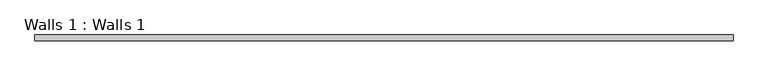
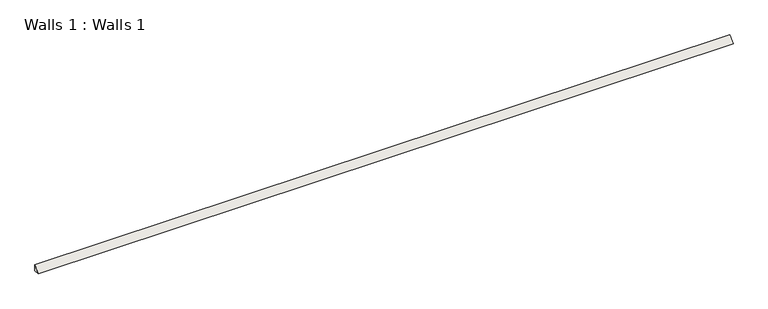
"""IFC4 building model written with IfcOpenShell, lengths in millimetres: wall geometry, Walls 1 : Walls 1."""

import ifcopenshell
import ifcopenshell.guid

model = None  # the IFC model being written
_history = None  # IfcOwnerHistory: only IFC2X3 demands one
_inside = {}  # id of a spatial element -> (the spatial element, [elements in it])
_under = {}  # id of a project, library or spatial element -> (it, [spatial elements below it])
_declared = {}  # id of a project -> (the project, [libraries it declares])
_typed = {}  # id of a type object -> (the type object, [elements of that type])
_made_of = {}  # id of a material, layer set ... -> (it, [elements and type objects made of it])


def new_model(schema):
    """Start an empty IFC model of exactly this schema.

    Asked for "IFC4X3", IfcOpenShell would pick the latest addendum, in which some entities
    have other attributes; the version numbers below select the first issue.
    IFC2X3 requires an IfcOwnerHistory on every rooted entity: one is made here for all.
    """
    global model, _history
    if schema == "IFC4X3":
        model = ifcopenshell.file(schema_version=(4, 3, 0, 0))
    else:
        model = ifcopenshell.file(schema=schema)
    _inside.clear()
    _under.clear()
    _declared.clear()
    _typed.clear()
    _made_of.clear()
    _history = None
    if model.schema == "IFC2X3":
        org = make("IfcOrganization", Name="unknown")
        user = make(
            "IfcPersonAndOrganization",
            ThePerson=make("IfcPerson", FamilyName="unknown"),
            TheOrganization=org,
        )
        app = make(
            "IfcApplication",
            ApplicationDeveloper=org,
            Version="unknown",
            ApplicationFullName="unknown",
            ApplicationIdentifier="unknown",
        )
        _history = make(
            "IfcOwnerHistory",
            OwningUser=user,
            OwningApplication=app,
            ChangeAction="ADDED",
            CreationDate=0,
        )
    return model


def make(cls, **values):
    """One entity of the class cls with the attributes given. An attribute that is None is left unset."""
    return model.create_entity(
        cls, **{name: value for name, value in values.items() if value is not None}
    )


def rooted(cls, **values):
    """An entity with a GlobalId (a new one), such as an element, a storey or a relation."""
    return make(cls, GlobalId=ifcopenshell.guid.new(), OwnerHistory=_history, **values)


def si_unit(unit_type, name, prefix=None):
    """IfcSIUnit, for example si_unit("LENGTHUNIT", "METRE", prefix="MILLI")."""
    return make("IfcSIUnit", UnitType=unit_type, Prefix=prefix, Name=name)


def assignment(units):
    """IfcUnitAssignment: the units of a project."""
    return None if units is None else make("IfcUnitAssignment", Units=units)


def point(xyz):
    """IfcCartesianPoint."""
    return None if xyz is None else make("IfcCartesianPoint", Coordinates=xyz)


def direction(xyz):
    """IfcDirection."""
    return None if xyz is None else make("IfcDirection", DirectionRatios=xyz)


def frame(location, z_axis=None, x_axis=None):
    """IfcAxis2Placement3D, a coordinate frame: its origin and axes. An axis left out is left unset."""
    return make(
        "IfcAxis2Placement3D",
        Location=point(location),
        Axis=direction(z_axis),
        RefDirection=direction(x_axis),
    )


def origin():
    """The frame at (0, 0, 0) with its axes left unset."""
    return frame((0.0, 0.0, 0.0))


def place(relative_to, where):
    """IfcLocalPlacement: puts the frame where relative to a parent placement (None: the world)."""
    return make(
        "IfcLocalPlacement", PlacementRelTo=relative_to, RelativePlacement=where
    )


def context(
    kind, dimensions, precision=None, world=None, true_north=None, identifier=None
):
    """IfcGeometricRepresentationContext, for example the 3D "Model" context."""
    return make(
        "IfcGeometricRepresentationContext",
        ContextIdentifier=identifier,
        ContextType=kind,
        CoordinateSpaceDimension=dimensions,
        Precision=precision,
        WorldCoordinateSystem=world,
        TrueNorth=true_north,
    )


def project(units=None, contexts=None):
    """IfcProject with its units and contexts."""
    return rooted(
        "IfcProject",
        Name="project",
        RepresentationContexts=contexts,
        UnitsInContext=assignment(units),
    )


def spatial(cls, under=None, at=None, **own):
    """A site, building, storey or space (cls), placed at a placement, below another one or the project."""
    s = rooted(cls, ObjectPlacement=at, **own)
    if under is not None:
        _under.setdefault(under.id(), (under, []))[1].append(s)
    return s


def polyline(points):
    """IfcPolyline through the points."""
    return make("IfcPolyline", Points=[point(p) for p in points])


def outline(outer, holes=None, kind="AREA"):
    """IfcArbitraryClosedProfileDef: a profile drawn as a closed curve; with holes, ...WithVoids."""
    if holes is None:
        return make("IfcArbitraryClosedProfileDef", ProfileType=kind, OuterCurve=outer)
    return make(
        "IfcArbitraryProfileDefWithVoids",
        ProfileType=kind,
        OuterCurve=outer,
        InnerCurves=holes,
    )


def extrude(swept, where, along, depth):
    """IfcExtrudedAreaSolid: the profile swept, set in the frame where, extruded along a direction by depth."""
    return make(
        "IfcExtrudedAreaSolid",
        SweptArea=swept,
        Position=where,
        ExtrudedDirection=direction(along),
        Depth=depth,
    )


def shape(context_of_items, identifier, shape_type, items):
    """IfcShapeRepresentation: the items that make up one representation, for example the "Body"."""
    return make(
        "IfcShapeRepresentation",
        ContextOfItems=context_of_items,
        RepresentationIdentifier=identifier,
        RepresentationType=shape_type,
        Items=items,
    )


def source(mapping_origin, context_of_items, identifier, shape_type, items):
    """IfcRepresentationMap: a shape defined once, which mapped items show again and again."""
    return make(
        "IfcRepresentationMap",
        MappingOrigin=mapping_origin,
        MappedRepresentation=shape(context_of_items, identifier, shape_type, items),
    )


def transform(
    local_origin,
    x_axis=None,
    y_axis=None,
    z_axis=None,
    scale=None,
    scale2=None,
    scale3=None,
    uniform=True,
):
    """IfcCartesianTransformationOperator3D, or its non-uniform kind. x_axis, y_axis, z_axis: its Axis1, 2, 3."""
    if uniform:
        return make(
            "IfcCartesianTransformationOperator3D",
            Axis1=direction(x_axis),
            Axis2=direction(y_axis),
            LocalOrigin=point(local_origin),
            Scale=scale,
            Axis3=direction(z_axis),
        )
    return make(
        "IfcCartesianTransformationOperator3DnonUniform",
        Axis1=direction(x_axis),
        Axis2=direction(y_axis),
        LocalOrigin=point(local_origin),
        Scale=scale,
        Axis3=direction(z_axis),
        Scale2=scale2,
        Scale3=scale3,
    )


def mapped(mapping_source, mapping_target):
    """IfcMappedItem: shows the shape of a source again, moved by a transform."""
    return make(
        "IfcMappedItem", MappingSource=mapping_source, MappingTarget=mapping_target
    )


def made_of(thing, what):
    """Note that an element or type object is made of a material, layer set ...; save() writes the relation."""
    if what is not None:
        _made_of.setdefault(what.id(), (what, []))[1].append(thing)
    return thing


def element(
    cls,
    number,
    at=None,
    inside=None,
    cuts=None,
    type_object=None,
    material=None,
    context=None,
    identifier="Body",
    shape_type=None,
    held_by="IfcProductDefinitionShape",
    body=None,
    shapes=None,
    **own,
):
    """One element of the class cls, such as IfcWall. Its Tag is "e" and its number.

    at: its placement. inside: the storey or other place that contains it. cuts: it is an
    opening in that element (IfcRelVoidsElement). A single representation is given by context,
    identifier, shape_type and body (its items); several are given by shapes. held_by: the class
    of the entity that holds the representations. save() writes the other relations.
    """
    e = rooted(cls, Tag="e%d" % number, ObjectPlacement=at, **own)
    if body is not None:
        shapes = [shape(context, identifier, shape_type, body)]
    if shapes is not None:
        e.Representation = make(held_by, Representations=shapes)
    if inside is not None:
        _inside.setdefault(inside.id(), (inside, []))[1].append(e)
    if cuts is not None:
        rooted(
            "IfcRelVoidsElement", RelatingBuildingElement=cuts, RelatedOpeningElement=e
        )
    if type_object is not None:
        _typed.setdefault(type_object.id(), (type_object, []))[1].append(e)
    return made_of(e, material)


def aggregate(whole, parts):
    """IfcRelAggregates: a whole, such as a stair, and the parts it consists of."""
    return rooted("IfcRelAggregates", RelatingObject=whole, RelatedObjects=parts)


def save(model, path):
    """Write the relations noted so far, then the file.

    IfcRelAggregates (storeys below a building ...), IfcRelContainedInSpatialStructure (elements
    in a storey), IfcRelDefinesByType, IfcRelAssociatesMaterial and IfcRelDeclares: one each for
    every whole, place, type object, material and project.
    """
    for whole, parts in _under.values():
        aggregate(whole, parts)
    for where, things in _inside.values():
        rooted(
            "IfcRelContainedInSpatialStructure",
            RelatedElements=things,
            RelatingStructure=where,
        )
    for kind, things in _typed.values():
        rooted("IfcRelDefinesByType", RelatedObjects=things, RelatingType=kind)
    for what, things in _made_of.values():
        rooted("IfcRelAssociatesMaterial", RelatedObjects=things, RelatingMaterial=what)
    for by, libraries in _declared.values():
        rooted("IfcRelDeclares", RelatingContext=by, RelatedDefinitions=libraries)
    model.write(path)


def walls_1_walls_1_32cc787b(model_context):
    return source(origin(), model_context, "Body", "SweptSolid", [
        extrude(outline(polyline([(6752.4943472, 19.05), (6752.4943472, 0.0), (6733.4443472, 0.0), (6752.4943472, 19.05)])), frame((-3151.0984529, 0.0, 0.0), z_axis=(1.0, 0.0, 0.0), x_axis=(0.0, 1.0, 0.0)), (0.0, 0.0, 1.0), 2260.6),
    ])


if __name__ == "__main__":
    model = new_model("IFC4")
    model_context = context("Model", 3, world=origin())
    ifc_project = project(units=[si_unit("LENGTHUNIT", "METRE", prefix="MILLI")], contexts=[model_context])
    site = spatial("IfcSite", under=ifc_project)
    building = spatial("IfcBuilding", under=site)
    placement = place(None, origin())
    walls_1_walls_1_shape = walls_1_walls_1_32cc787b(model_context)
    element("IfcWall", 1, ObjectType="Walls 1 : Walls 1", at=placement, inside=building, context=model_context, shape_type="MappedRepresentation", body=[
        mapped(walls_1_walls_1_shape, transform((0.0, 0.0, 0.0), x_axis=(1.0, 0.0, 0.0), y_axis=(0.0, 1.0, 0.0), z_axis=(0.0, 0.0, 1.0))),
    ])
    save(model, "model.ifc")
